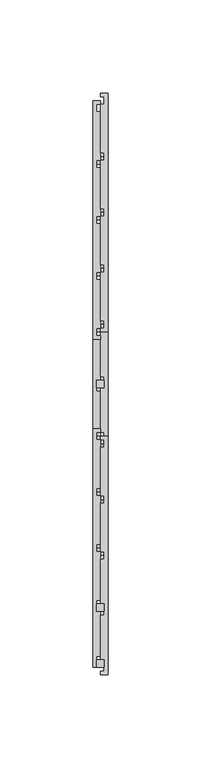
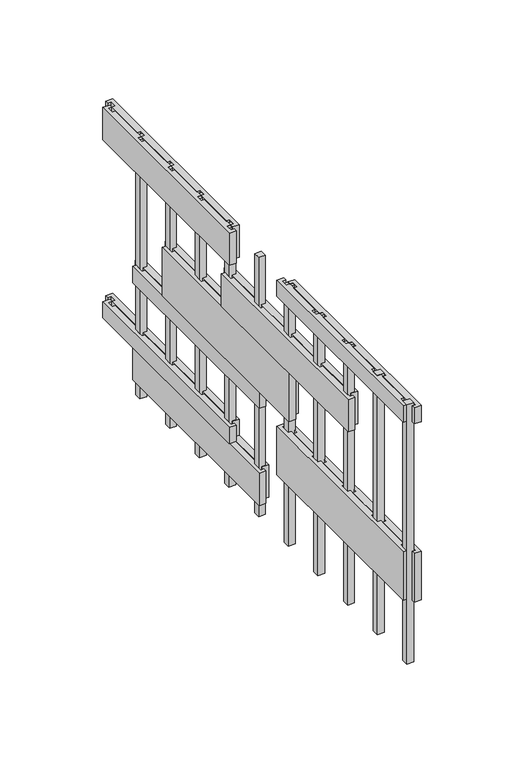
"""IFC4 building model written with IfcOpenShell, lengths in millimetres: proxy geometry."""

from ifc_helpers import new_model, si_unit, frame, origin, origin_with_axes, place, context, project, spatial, polyline, outline, extrude, source, transform, mapped, element, save


def generic_models_99a568a2(model_context):
    return source(origin(), model_context, "Body", "SweptSolid", [
        extrude(outline(polyline([(2.0, -242.0), (-2.0, -242.0), (-2.0, -238.0), (2.0, -238.0), (2.0, -242.0)])), origin_with_axes(), (0.0, 0.0, 1.0), 160.0),
        extrude(outline(polyline([(2.0, -272.0), (-2.0, -272.0), (-2.0, -268.0), (2.0, -268.0), (2.0, -272.0)])), origin_with_axes(), (0.0, 0.0, 1.0), 160.0),
        extrude(outline(polyline([(4.0, 36.0), (4.0, -92.0), (0.0, -92.0), (0.0, -90.0), (2.0, -90.0), (2.0, -86.0), (0.0, -86.0), (0.0, -60.0), (2.0, -60.0), (2.0, -56.0), (0.0, -56.0), (0.0, -30.0), (2.0, -30.0), (2.0, -26.0), (0.0, -26.0), (0.0, 0.0), (2.0, 0.0), (2.0, 4.0), (0.0, 4.0), (0.0, 30.0), (2.0, 30.0), (2.0, 34.0), (0.0, 34.0), (0.0, 36.0), (4.0, 36.0)])), frame((0.0, 0.0, 30.0), z_axis=(0.0, 0.0, 1.0), x_axis=(1.0, 0.0, 0.0)), (0.0, 0.0, 1.0), 10.0),
        extrude(outline(polyline([(4.0, 6.0), (4.0, -122.0), (0.0, -122.0), (0.0, -120.0), (2.0, -120.0), (2.0, -116.0), (0.0, -116.0), (0.0, -90.0), (2.0, -90.0), (2.0, -86.0), (0.0, -86.0), (0.0, -60.0), (2.0, -60.0), (2.0, -56.0), (0.0, -56.0), (0.0, -30.0), (2.0, -30.0), (2.0, -26.0), (0.0, -26.0), (0.0, 0.0), (2.0, 0.0), (2.0, 4.0), (0.0, 4.0), (0.0, 6.0), (4.0, 6.0)])), frame((0.0, 0.0, 10.0), z_axis=(0.0, 0.0, 1.0), x_axis=(1.0, 0.0, 0.0)), (0.0, 0.0, 1.0), 20.0),
        extrude(outline(polyline([(4.0, -148.0), (4.0, -276.0), (0.0, -276.0), (0.0, -274.0), (2.0, -274.0), (2.0, -270.0), (0.0, -270.0), (0.0, -244.0), (2.0, -244.0), (2.0, -240.0), (0.0, -240.0), (0.0, -214.0), (2.0, -214.0), (2.0, -210.0), (0.0, -210.0), (0.0, -184.0), (2.0, -184.0), (2.0, -180.0), (0.0, -180.0), (0.0, -154.0), (2.0, -154.0), (2.0, -150.0), (0.0, -150.0), (0.0, -148.0), (4.0, -148.0)])), frame((0.0, 0.0, 40.0), z_axis=(0.0, 0.0, 1.0), x_axis=(1.0, 0.0, 0.0)), (0.0, 0.0, 1.0), 30.0),
        extrude(outline(polyline([(4.0, -24.0), (4.0, -152.0), (0.0, -152.0), (0.0, -150.0), (2.0, -150.0), (2.0, -146.0), (0.0, -146.0), (0.0, -120.0), (2.0, -120.0), (2.0, -116.0), (0.0, -116.0), (0.0, -90.0), (2.0, -90.0), (2.0, -86.0), (0.0, -86.0), (0.0, -60.0), (2.0, -60.0), (2.0, -56.0), (0.0, -56.0), (0.0, -30.0), (2.0, -30.0), (2.0, -26.0), (0.0, -26.0), (0.0, -24.0), (4.0, -24.0)])), frame((0.0, 0.0, 80.0), z_axis=(0.0, 0.0, 1.0), x_axis=(1.0, 0.0, 0.0)), (0.0, 0.0, 1.0), 30.0),
        extrude(outline(polyline([(4.0, 6.0), (4.0, -122.0), (0.0, -122.0), (0.0, -120.0), (2.0, -120.0), (2.0, -116.0), (0.0, -116.0), (0.0, -90.0), (2.0, -90.0), (2.0, -86.0), (0.0, -86.0), (0.0, -60.0), (2.0, -60.0), (2.0, -56.0), (0.0, -56.0), (0.0, -30.0), (2.0, -30.0), (2.0, -26.0), (0.0, -26.0), (0.0, 0.0), (2.0, 0.0), (2.0, 4.0), (0.0, 4.0), (0.0, 6.0), (4.0, 6.0)])), frame((0.0, 0.0, 70.0), z_axis=(0.0, 0.0, 1.0), x_axis=(1.0, 0.0, 0.0)), (0.0, 0.0, 1.0), 10.0),
        extrude(outline(polyline([(4.0, -84.0), (4.0, -212.0), (0.0, -212.0), (0.0, -210.0), (2.0, -210.0), (2.0, -206.0), (0.0, -206.0), (0.0, -180.0), (2.0, -180.0), (2.0, -176.0), (0.0, -176.0), (0.0, -150.0), (2.0, -150.0), (2.0, -146.0), (0.0, -146.0), (0.0, -120.0), (2.0, -120.0), (2.0, -116.0), (0.0, -116.0), (0.0, -90.0), (2.0, -90.0), (2.0, -86.0), (0.0, -86.0), (0.0, -84.0), (4.0, -84.0)])), frame((0.0, 0.0, 110.0), z_axis=(0.0, 0.0, 1.0), x_axis=(1.0, 0.0, 0.0)), (0.0, 0.0, 1.0), 20.0),
        extrude(outline(polyline([(4.0, -148.0), (4.0, -276.0), (0.0, -276.0), (0.0, -274.0), (2.0, -274.0), (2.0, -270.0), (0.0, -270.0), (0.0, -244.0), (2.0, -244.0), (2.0, -240.0), (0.0, -240.0), (0.0, -214.0), (2.0, -214.0), (2.0, -210.0), (0.0, -210.0), (0.0, -184.0), (2.0, -184.0), (2.0, -180.0), (0.0, -180.0), (0.0, -154.0), (2.0, -154.0), (2.0, -150.0), (0.0, -150.0), (0.0, -148.0), (4.0, -148.0)])), frame((0.0, 0.0, 150.0), z_axis=(0.0, 0.0, 1.0), x_axis=(1.0, 0.0, 0.0)), (0.0, 0.0, 1.0), 10.0),
        extrude(outline(polyline([(4.0, 36.0), (4.0, -92.0), (0.0, -92.0), (0.0, -90.0), (2.0, -90.0), (2.0, -86.0), (0.0, -86.0), (0.0, -60.0), (2.0, -60.0), (2.0, -56.0), (0.0, -56.0), (0.0, -30.0), (2.0, -30.0), (2.0, -26.0), (0.0, -26.0), (0.0, 0.0), (2.0, 0.0), (2.0, 4.0), (0.0, 4.0), (0.0, 30.0), (2.0, 30.0), (2.0, 34.0), (0.0, 34.0), (0.0, 36.0), (4.0, 36.0)])), frame((0.0, 0.0, 140.0), z_axis=(0.0, 0.0, 1.0), x_axis=(1.0, 0.0, 0.0)), (0.0, 0.0, 1.0), 20.0),
        extrude(outline(polyline([(-4.0, -272.0), (-4.0, -144.0), (0.0, -144.0), (0.0, -146.0), (-2.0, -146.0), (-2.0, -150.0), (0.0, -150.0), (0.0, -176.0), (-2.0, -176.0), (-2.0, -180.0), (0.0, -180.0), (0.0, -206.0), (-2.0, -206.0), (-2.0, -210.0), (0.0, -210.0), (0.0, -236.0), (-2.0, -236.0), (-2.0, -240.0), (0.0, -240.0), (0.0, -266.0), (-2.0, -266.0), (-2.0, -270.0), (0.0, -270.0), (0.0, -272.0), (-4.0, -272.0)])), frame((0.0, 0.0, 150.0), z_axis=(0.0, 0.0, 1.0), x_axis=(1.0, 0.0, 0.0)), (0.0, 0.0, 1.0), 10.0),
        extrude(outline(polyline([(-4.0, -272.0), (-4.0, -144.0), (0.0, -144.0), (0.0, -146.0), (-2.0, -146.0), (-2.0, -150.0), (0.0, -150.0), (0.0, -176.0), (-2.0, -176.0), (-2.0, -180.0), (0.0, -180.0), (0.0, -206.0), (-2.0, -206.0), (-2.0, -210.0), (0.0, -210.0), (0.0, -236.0), (-2.0, -236.0), (-2.0, -240.0), (0.0, -240.0), (0.0, -266.0), (-2.0, -266.0), (-2.0, -270.0), (0.0, -270.0), (0.0, -272.0), (-4.0, -272.0)])), frame((0.0, 0.0, 40.0), z_axis=(0.0, 0.0, 1.0), x_axis=(1.0, 0.0, 0.0)), (0.0, 0.0, 1.0), 30.0),
        extrude(outline(polyline([(-4.0, -96.0), (-4.0, 32.0), (0.0, 32.0), (0.0, 30.0), (-2.0, 30.0), (-2.0, 26.0), (0.0, 26.0), (0.0, 0.0), (-2.0, 0.0), (-2.0, -4.0), (0.0, -4.0), (0.0, -30.0), (-2.0, -30.0), (-2.0, -34.0), (0.0, -34.0), (0.0, -60.0), (-2.0, -60.0), (-2.0, -64.0), (0.0, -64.0), (0.0, -90.0), (-2.0, -90.0), (-2.0, -94.0), (0.0, -94.0), (0.0, -96.0), (-4.0, -96.0)])), frame((0.0, 0.0, 140.0), z_axis=(0.0, 0.0, 1.0), x_axis=(1.0, 0.0, 0.0)), (0.0, 0.0, 1.0), 20.0),
        extrude(outline(polyline([(2.0, -212.0), (-2.0, -212.0), (-2.0, -208.0), (2.0, -208.0), (2.0, -212.0)])), origin_with_axes(), (0.0, 0.0, 1.0), 160.0),
        extrude(outline(polyline([(2.0, -182.0), (-2.0, -182.0), (-2.0, -178.0), (2.0, -178.0), (2.0, -182.0)])), origin_with_axes(), (0.0, 0.0, 1.0), 160.0),
        extrude(outline(polyline([(-4.0, -216.0), (-4.0, -88.0), (0.0, -88.0), (0.0, -90.0), (-2.0, -90.0), (-2.0, -94.0), (0.0, -94.0), (0.0, -120.0), (-2.0, -120.0), (-2.0, -124.0), (0.0, -124.0), (0.0, -150.0), (-2.0, -150.0), (-2.0, -154.0), (0.0, -154.0), (0.0, -180.0), (-2.0, -180.0), (-2.0, -184.0), (0.0, -184.0), (0.0, -210.0), (-2.0, -210.0), (-2.0, -214.0), (0.0, -214.0), (0.0, -216.0), (-4.0, -216.0)])), frame((0.0, 0.0, 110.0), z_axis=(0.0, 0.0, 1.0), x_axis=(1.0, 0.0, 0.0)), (0.0, 0.0, 1.0), 20.0),
        extrude(outline(polyline([(-4.0, -96.0), (-4.0, 32.0), (0.0, 32.0), (0.0, 30.0), (-2.0, 30.0), (-2.0, 26.0), (0.0, 26.0), (0.0, 0.0), (-2.0, 0.0), (-2.0, -4.0), (0.0, -4.0), (0.0, -30.0), (-2.0, -30.0), (-2.0, -34.0), (0.0, -34.0), (0.0, -60.0), (-2.0, -60.0), (-2.0, -64.0), (0.0, -64.0), (0.0, -90.0), (-2.0, -90.0), (-2.0, -94.0), (0.0, -94.0), (0.0, -96.0), (-4.0, -96.0)])), frame((0.0, 0.0, 30.0), z_axis=(0.0, 0.0, 1.0), x_axis=(1.0, 0.0, 0.0)), (0.0, 0.0, 1.0), 10.0),
        extrude(outline(polyline([(-4.0, -126.0), (-4.0, 2.0), (0.0, 2.0), (0.0, 0.0), (-2.0, 0.0), (-2.0, -4.0), (0.0, -4.0), (0.0, -30.0), (-2.0, -30.0), (-2.0, -34.0), (0.0, -34.0), (0.0, -60.0), (-2.0, -60.0), (-2.0, -64.0), (0.0, -64.0), (0.0, -90.0), (-2.0, -90.0), (-2.0, -94.0), (0.0, -94.0), (0.0, -120.0), (-2.0, -120.0), (-2.0, -124.0), (0.0, -124.0), (0.0, -126.0), (-4.0, -126.0)])), frame((0.0, 0.0, 10.0), z_axis=(0.0, 0.0, 1.0), x_axis=(1.0, 0.0, 0.0)), (0.0, 0.0, 1.0), 20.0),
        extrude(outline(polyline([(-4.0, -156.0), (-4.0, -28.0), (0.0, -28.0), (0.0, -30.0), (-2.0, -30.0), (-2.0, -34.0), (0.0, -34.0), (0.0, -60.0), (-2.0, -60.0), (-2.0, -64.0), (0.0, -64.0), (0.0, -90.0), (-2.0, -90.0), (-2.0, -94.0), (0.0, -94.0), (0.0, -120.0), (-2.0, -120.0), (-2.0, -124.0), (0.0, -124.0), (0.0, -150.0), (-2.0, -150.0), (-2.0, -154.0), (0.0, -154.0), (0.0, -156.0), (-4.0, -156.0)])), frame((0.0, 0.0, 80.0), z_axis=(0.0, 0.0, 1.0), x_axis=(1.0, 0.0, 0.0)), (0.0, 0.0, 1.0), 30.0),
        extrude(outline(polyline([(-4.0, -126.0), (-4.0, 2.0), (0.0, 2.0), (0.0, 0.0), (-2.0, 0.0), (-2.0, -4.0), (0.0, -4.0), (0.0, -30.0), (-2.0, -30.0), (-2.0, -34.0), (0.0, -34.0), (0.0, -60.0), (-2.0, -60.0), (-2.0, -64.0), (0.0, -64.0), (0.0, -90.0), (-2.0, -90.0), (-2.0, -94.0), (0.0, -94.0), (0.0, -120.0), (-2.0, -120.0), (-2.0, -124.0), (0.0, -124.0), (0.0, -126.0), (-4.0, -126.0)])), frame((0.0, 0.0, 70.0), z_axis=(0.0, 0.0, 1.0), x_axis=(1.0, 0.0, 0.0)), (0.0, 0.0, 1.0), 10.0),
        extrude(outline(polyline([(2.0, -148.0), (2.0, -152.0), (-2.0, -152.0), (-2.0, -148.0), (2.0, -148.0)])), origin_with_axes(), (0.0, 0.0, 1.0), 160.0),
        extrude(outline(polyline([(2.0, -118.0), (2.0, -122.0), (-2.0, -122.0), (-2.0, -118.0), (2.0, -118.0)])), origin_with_axes(), (0.0, 0.0, 1.0), 160.0),
        extrude(outline(polyline([(2.0, -88.0), (2.0, -92.0), (-2.0, -92.0), (-2.0, -88.0), (2.0, -88.0)])), origin_with_axes(), (0.0, 0.0, 1.0), 160.0),
        extrude(outline(polyline([(2.0, -58.0), (2.0, -62.0), (-2.0, -62.0), (-2.0, -58.0), (2.0, -58.0)])), origin_with_axes(), (0.0, 0.0, 1.0), 160.0),
        extrude(outline(polyline([(2.0, -28.0), (2.0, -32.0), (-2.0, -32.0), (-2.0, -28.0), (2.0, -28.0)])), origin_with_axes(), (0.0, 0.0, 1.0), 160.0),
        extrude(outline(polyline([(2.0, 2.0), (2.0, -2.0), (-2.0, -2.0), (-2.0, 2.0), (2.0, 2.0)])), origin_with_axes(), (0.0, 0.0, 1.0), 160.0),
    ])


if __name__ == "__main__":
    model = new_model("IFC4")
    model_context = context("Model", 3, world=origin())
    ifc_project = project(units=[si_unit("LENGTHUNIT", "METRE", prefix="MILLI")], contexts=[model_context])
    site = spatial("IfcSite", under=ifc_project)
    building = spatial("IfcBuilding", under=site)
    placement = place(None, origin())
    generic_models_shape = generic_models_99a568a2(model_context)
    element("IfcBuildingElementProxy", 1, Name="Generic Models", at=placement, inside=building, context=model_context, shape_type="MappedRepresentation", body=[
        mapped(generic_models_shape, transform((0.0, 0.0, 0.0), x_axis=(1.0, 0.0, 0.0), y_axis=(0.0, 1.0, 0.0), z_axis=(0.0, 0.0, 1.0))),
    ])
    save(model, "model.ifc")
